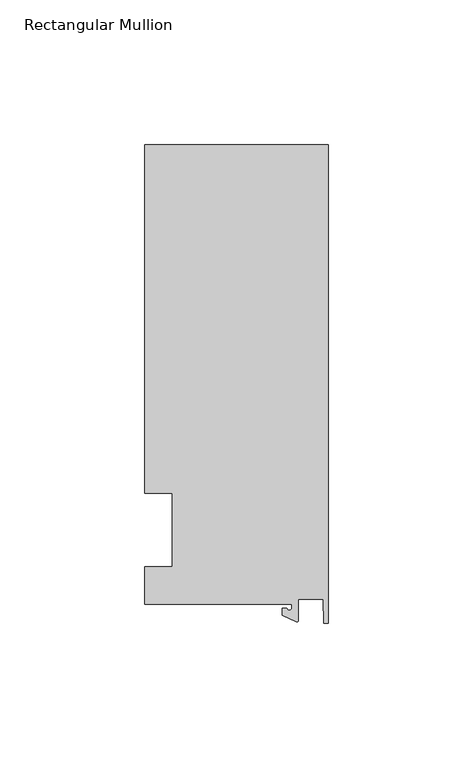
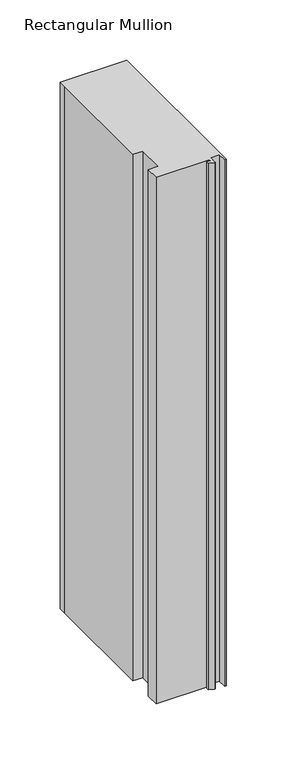
"""IFC4 building model written with IfcOpenShell, lengths in millimetres: member geometry, Rectangular Mullion."""

from ifc_helpers import new_model, si_unit, point, frame, frame_2d, origin, place, context, project, spatial, polyline, circle_curve, trimmed, segment, composite_curve, outline, extrude, source, transform, mapped, element, save


def rectangular_mullion_0c2e4d45(model_context):
    return source(origin(), model_context, "Body", "SweptSolid", [
        extrude(outline(composite_curve([segment(polyline([(-12.6173814, -25.796875), (-63.5, -25.796875), (-63.5, -12.7), (-53.975, -12.7), (-53.975, 12.7), (-63.5, 12.7), (-63.5, 125.8114907), (-63.5, 133.34365), (0.0, 133.34365), (0.0, -32.288874), (-1.5658966, -32.288874), (-1.7144124, -23.9227662), (-10.2297814, -23.9227662), (-10.2297814, -31.2414327)]), True, "CONTINUOUS"), segment(trimmed(circle_curve(frame_2d((-10.7377814, -31.2414327)), 0.508), [point((-10.2297814, -31.2414327))], [point((-10.9524715, -31.7018371))], False, "CARTESIAN"), True, "CONTINUOUS"), segment(polyline([(-10.9524715, -31.7018371), (-15.7923814, -29.44495), (-15.7923814, -27.0827507), (-14.2048814, -27.0827507)]), True, "CONTINUOUS"), segment(trimmed(circle_curve(frame_2d((-13.4111314, -27.0827507)), 0.79375), [point((-14.2048814, -27.0827507))], [point((-12.6173814, -27.0827507))], True, "CARTESIAN"), True, "CONTINUOUS"), segment(polyline([(-12.6173814, -27.0827507), (-12.6173814, -25.796875)]), True, "CONTINUOUS")], self_intersect=False)), frame((0.0, 0.0, -533.4), z_axis=(0.0, 0.0, 1.0), x_axis=(1.0, 0.0, 0.0)), (0.0, 0.0, 1.0), 533.4),
    ])


if __name__ == "__main__":
    model = new_model("IFC4")
    model_context = context("Model", 3, world=origin())
    ifc_project = project(units=[si_unit("LENGTHUNIT", "METRE", prefix="MILLI")], contexts=[model_context])
    site = spatial("IfcSite", under=ifc_project)
    building = spatial("IfcBuilding", under=site)
    placement = place(None, origin())
    rectangular_mullion_shape = rectangular_mullion_0c2e4d45(model_context)
    element("IfcMember", 1, ObjectType="Rectangular Mullion", at=placement, inside=building, context=model_context, shape_type="MappedRepresentation", body=[
        mapped(rectangular_mullion_shape, transform((0.0, 0.0, 0.0), x_axis=(1.0, 0.0, 0.0), y_axis=(0.0, 1.0, 0.0), z_axis=(0.0, 0.0, 1.0))),
    ])
    save(model, "model.ifc")
